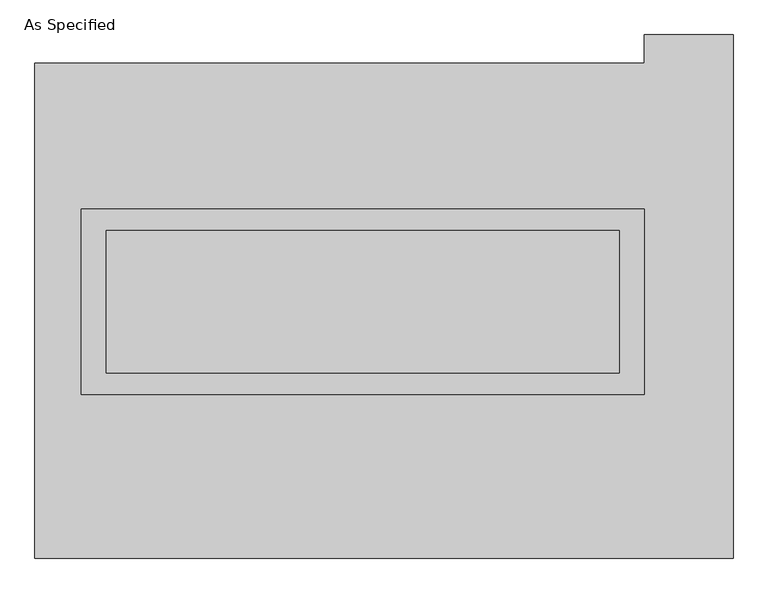
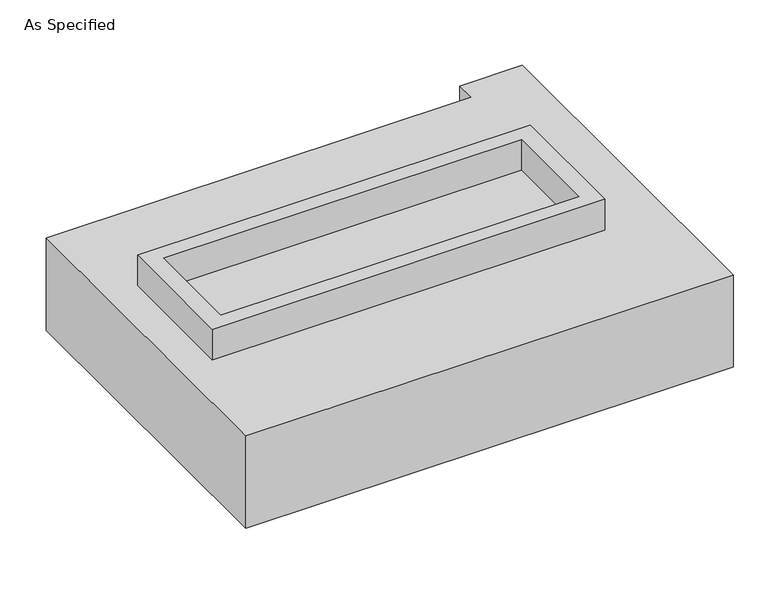
"""IFC4 building model written with IfcOpenShell, lengths in millimetres: proxy geometry, As Specified."""

from ifc_helpers import new_model, si_unit, frame, origin, place, context, project, spatial, polyline, outline, extrude, source, transform, mapped, element, save


def as_specified_a9b830ba(model_context):
    return source(origin(), model_context, "Body", "SweptSolid", [
        extrude(outline(polyline([(1003.3, 361.95), (1003.3, -298.45), (-1003.3, -298.45), (-1003.3, 361.95), (1003.3, 361.95)]), holes=[polyline([(914.4, 285.75), (-914.4, 285.75), (-914.4, -222.25), (914.4, -222.25), (914.4, 285.75)])]), frame((0.0, 0.0, -688.975), z_axis=(0.0, 0.0, 1.0), x_axis=(1.0, 0.0, 0.0)), (0.0, 0.0, 1.0), 165.1),
        extrude(outline(polyline([(1003.3, 361.95), (1003.3, -298.45), (-1003.3, -298.45), (-1003.3, 361.95), (1003.3, 361.95)]), holes=[polyline([(914.4, 285.75), (-914.4, 285.75), (-914.4, -222.25), (914.4, -222.25), (914.4, 285.75)])]), frame((0.0, 0.0, -25.4), z_axis=(0.0, 0.0, 1.0), x_axis=(1.0, 0.0, 0.0)), (0.0, 0.0, 1.0), 165.1),
        extrude(outline(polyline([(914.4, 285.75), (914.4, -222.25), (-914.4, -222.25), (-914.4, 285.75), (914.4, 285.75)])), frame((0.0, 0.0, -523.875), z_axis=(0.0, 0.0, 1.0), x_axis=(1.0, 0.0, 0.0)), (0.0, 0.0, 1.0), 4.9609375),
        extrude(outline(polyline([(914.4, 285.75), (914.4, -222.25), (-914.4, -222.25), (-914.4, 285.75), (914.4, 285.75)])), frame((0.0, 0.0, -30.3609375), z_axis=(0.0, 0.0, 1.0), x_axis=(1.0, 0.0, 0.0)), (0.0, 0.0, 1.0), 4.9609375),
        extrude(outline(polyline([(1320.8, -882.65), (-1168.4, -882.65), (-1168.4, 882.65), (1003.3, 882.65), (1003.3, 984.25), (1320.8, 984.25), (1320.8, -882.65)]), holes=[polyline([(-1003.3, 361.95), (-1003.3, -298.45), (1003.3, -298.45), (1003.3, 361.95), (-1003.3, 361.95)])]), frame((0.0, 0.0, -523.875), z_axis=(0.0, 0.0, 1.0), x_axis=(1.0, 0.0, 0.0)), (0.0, 0.0, 1.0), 498.475),
    ])


if __name__ == "__main__":
    model = new_model("IFC4")
    model_context = context("Model", 3, world=origin())
    ifc_project = project(units=[si_unit("LENGTHUNIT", "METRE", prefix="MILLI")], contexts=[model_context])
    site = spatial("IfcSite", under=ifc_project)
    building = spatial("IfcBuilding", under=site)
    placement = place(None, origin())
    as_specified_shape = as_specified_a9b830ba(model_context)
    element("IfcBuildingElementProxy", 1, Name="As Specified", ObjectType="As Specified", at=placement, inside=building, context=model_context, shape_type="MappedRepresentation", body=[
        mapped(as_specified_shape, transform((0.0, 0.0, 0.0), x_axis=(1.0, 0.0, 0.0), y_axis=(0.0, 1.0, 0.0), z_axis=(0.0, 0.0, 1.0))),
    ])
    save(model, "model.ifc")
